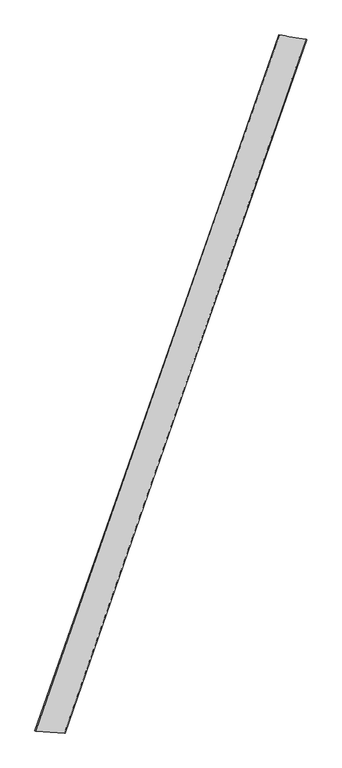
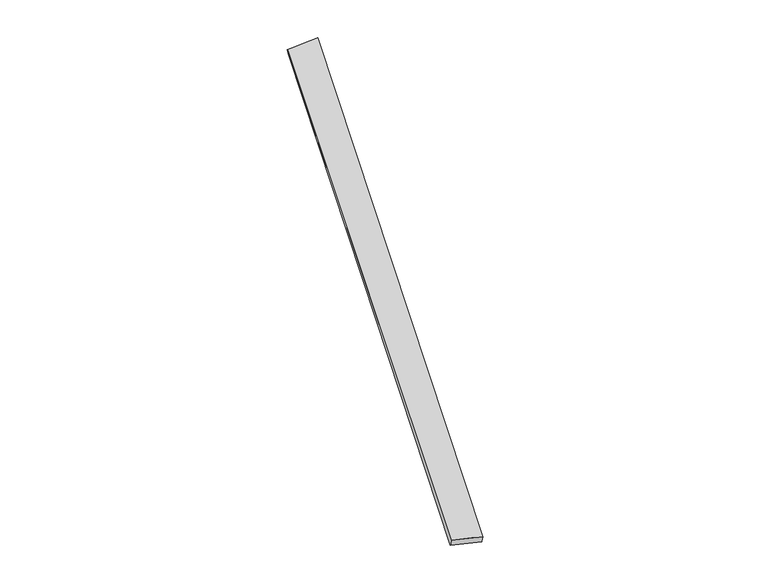
"""IFC4 building model written with IfcOpenShell, lengths in millimetres: proxy geometry."""

from ifc_helpers import new_model, si_unit, origin, place, context, project, spatial, source, transform, mapped, element, save
from ifc_brep_helpers import spline_surface, advanced_brep


def generic_models_610061e4(model_context):
    return source(origin(), model_context, "Body", "AdvancedBrep", [
        advanced_brep(
        [(-707.9398838, -1793.4477055, 15.0288491), (-702.9414892, -1794.9816866, 44.5697184), (691.745764, 2193.3414481, 13.697088), (696.976295, 2191.2695193, -15.7706682), (-535.3325309, -1806.833918, 14.3659791), (845.5341093, 2168.8219392, 45.1383893), (-540.659112, -1804.7374885, -15.0828327), (851.6227008, 2166.9156747, 15.8246518)],
        [
            (0, 1),
            (1, 2),
            (2, 3),
            (3, 0),
            (1, 4),
            (4, 5),
            (5, 2),
            (4, 6),
            (6, 7),
            (7, 5),
            (6, 0),
            (3, 7),
        ],
        [
            spline_surface(1, 1, [[(-707.9398838, -1793.4477055, 15.0288491), (696.976295, 2191.2695193, -15.7706682)], [(-702.9414892, -1794.9816866, 44.5697184), (691.745764, 2193.3414481, 13.697088)]], [2, 2], [2, 2], [0.0, 1.0], [0.0, 1.0]),
            spline_surface(1, 1, [[(-702.9414892, -1794.9816866, 44.5697184), (691.745764, 2193.3414481, 13.697088)], [(-535.3325309, -1806.833918, 14.3659791), (845.5341093, 2168.8219392, 45.1383893)]], [2, 2], [2, 2], [0.0, 1.0], [0.0, 1.0]),
            spline_surface(1, 1, [[(-535.3325309, -1806.833918, 14.3659791), (845.5341093, 2168.8219392, 45.1383893)], [(-540.659112, -1804.7374885, -15.0828327), (851.6227008, 2166.9156747, 15.8246518)]], [2, 2], [2, 2], [0.0, 1.0], [0.0, 1.0]),
            spline_surface(1, 1, [[(-540.659112, -1804.7374885, -15.0828327), (851.6227008, 2166.9156747, 15.8246518)], [(-707.9398838, -1793.4477055, 15.0288491), (696.976295, 2191.2695193, -15.7706682)]], [2, 2], [2, 2], [0.0, 1.0], [0.0, 1.0]),
            spline_surface(1, 1, [[(691.745764, 2193.3414481, 13.697088), (696.976295, 2191.2695193, -15.7706682)], [(845.5341093, 2168.8219392, 45.1383893), (851.6227008, 2166.9156747, 15.8246518)]], [2, 2], [2, 2], [0.0, 1.0], [0.0, 1.0]),
            spline_surface(1, 1, [[(-540.659112, -1804.7374885, -15.0828327), (-707.9398838, -1793.4477055, 15.0288491)], [(-535.3325309, -1806.833918, 14.3659791), (-702.9414892, -1794.9816866, 44.5697184)]], [2, 2], [2, 2], [0.0, 1.0], [0.0, 1.0]),
        ],
        [
            (0, [[1, 2, 3, 4]]),
            (1, [[5, 6, 7, -2]]),
            (2, [[8, 9, 10, -6]]),
            (3, [[11, -4, 12, -9]]),
            (4, [[-3, -7, -10, -12]]),
            (5, [[-11, -8, -5, -1]]),
        ],
    ),
    ])


if __name__ == "__main__":
    model = new_model("IFC4")
    model_context = context("Model", 3, world=origin())
    ifc_project = project(units=[si_unit("LENGTHUNIT", "METRE", prefix="MILLI")], contexts=[model_context])
    site = spatial("IfcSite", under=ifc_project)
    building = spatial("IfcBuilding", under=site)
    placement = place(None, origin())
    generic_models_shape = generic_models_610061e4(model_context)
    element("IfcBuildingElementProxy", 1, Name="Generic Models", at=placement, inside=building, context=model_context, shape_type="MappedRepresentation", body=[
        mapped(generic_models_shape, transform((0.0, 0.0, 0.0), x_axis=(1.0, 0.0, 0.0), y_axis=(0.0, 1.0, 0.0), z_axis=(0.0, 0.0, 1.0))),
    ])
    save(model, "model.ifc")
